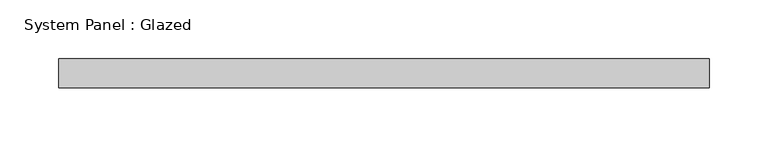
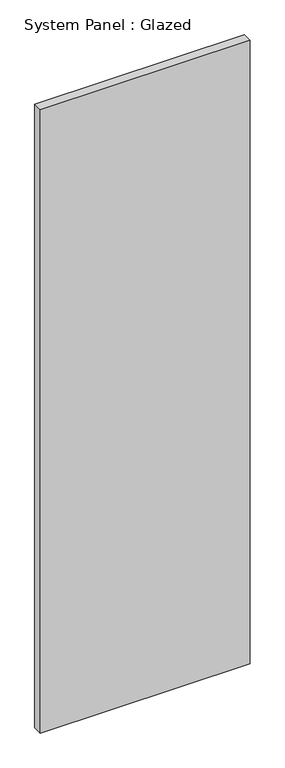
"""IFC4 building model written with IfcOpenShell, lengths in millimetres: plate geometry, System Panel : Glazed."""

from ifc_helpers import new_model, si_unit, origin, origin_with_axes, place, context, project, spatial, polyline, outline, extrude, source, transform, mapped, element, save


def system_panel_glazed_b6cdba48(model_context):
    return source(origin(), model_context, "Body", "SweptSolid", [
        extrude(outline(polyline([(277.5, -49.5), (-277.5, -49.5), (-277.5, -24.5), (277.5, -24.5), (277.5, -49.5)])), origin_with_axes(), (0.0, 0.0, 1.0), 1743.3333333),
    ])


if __name__ == "__main__":
    model = new_model("IFC4")
    model_context = context("Model", 3, world=origin())
    ifc_project = project(units=[si_unit("LENGTHUNIT", "METRE", prefix="MILLI")], contexts=[model_context])
    site = spatial("IfcSite", under=ifc_project)
    building = spatial("IfcBuilding", under=site)
    placement = place(None, origin())
    system_panel_glazed_shape = system_panel_glazed_b6cdba48(model_context)
    element("IfcPlate", 1, ObjectType="System Panel : Glazed", at=placement, inside=building, context=model_context, shape_type="MappedRepresentation", body=[
        mapped(system_panel_glazed_shape, transform((0.0, 0.0, 0.0), x_axis=(1.0, 0.0, 0.0), y_axis=(0.0, 1.0, 0.0), z_axis=(0.0, 0.0, 1.0))),
    ])
    save(model, "model.ifc")
